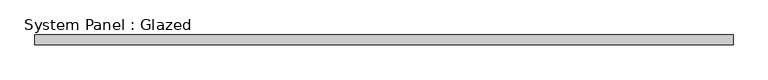
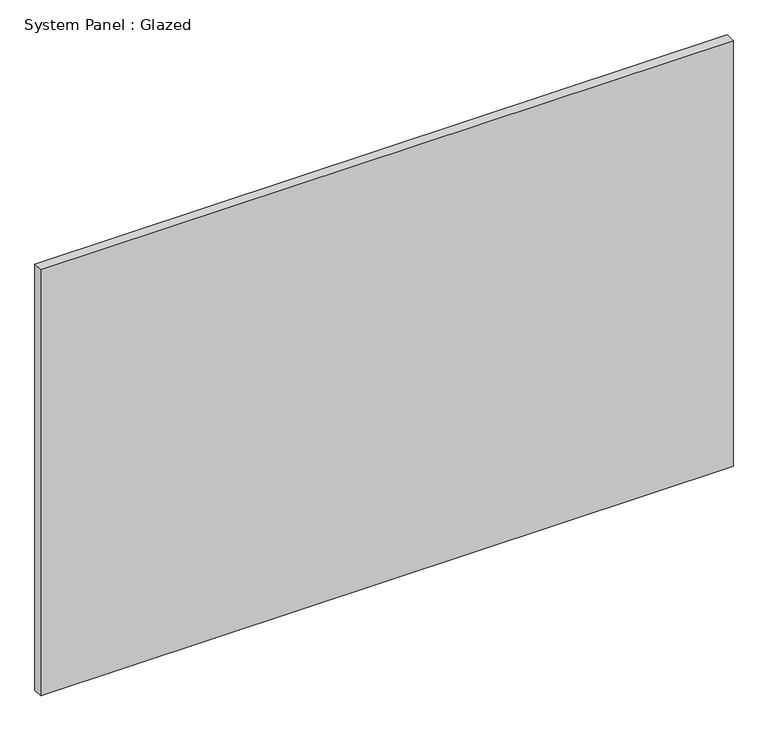
"""IFC4 building model written with IfcOpenShell, lengths in millimetres: plate geometry, System Panel : Glazed."""

from ifc_helpers import new_model, si_unit, origin, origin_with_axes, place, context, project, spatial, polyline, outline, extrude, source, transform, mapped, element, save


def system_panel_glazed_d652c2a3(model_context):
    return source(origin(), model_context, "Body", "SweptSolid", [
        extrude(outline(polyline([(888.7354167, -44.45), (-888.7354167, -44.45), (-888.7354167, -19.05), (888.7354167, -19.05), (888.7354167, -44.45)])), origin_with_axes(), (0.0, 0.0, 1.0), 1155.7),
    ])


if __name__ == "__main__":
    model = new_model("IFC4")
    model_context = context("Model", 3, world=origin())
    ifc_project = project(units=[si_unit("LENGTHUNIT", "METRE", prefix="MILLI")], contexts=[model_context])
    site = spatial("IfcSite", under=ifc_project)
    building = spatial("IfcBuilding", under=site)
    placement = place(None, origin())
    system_panel_glazed_shape = system_panel_glazed_d652c2a3(model_context)
    element("IfcPlate", 1, ObjectType="System Panel : Glazed", at=placement, inside=building, context=model_context, shape_type="MappedRepresentation", body=[
        mapped(system_panel_glazed_shape, transform((0.0, 0.0, 0.0), x_axis=(1.0, 0.0, 0.0), y_axis=(0.0, 1.0, 0.0), z_axis=(0.0, 0.0, 1.0))),
    ])
    save(model, "model.ifc")
